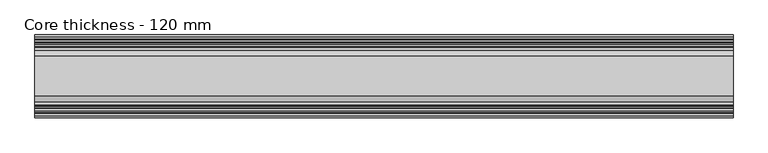
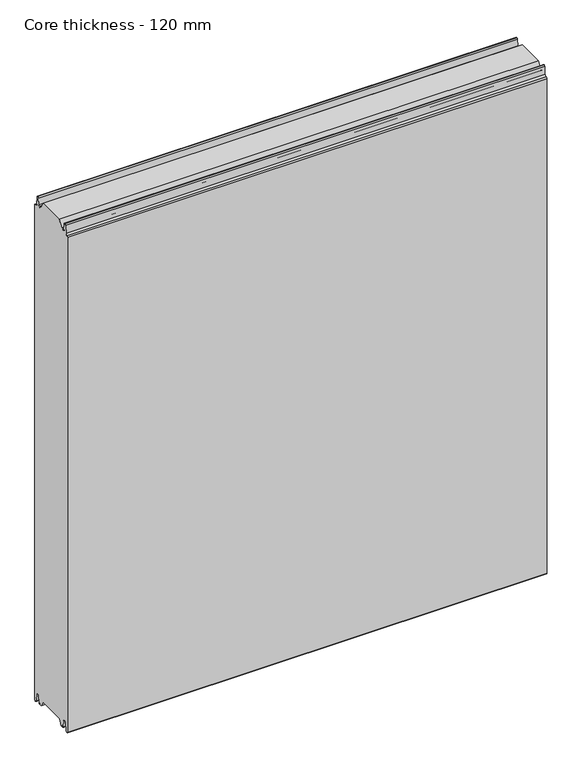
"""IFC4 building model written with IfcOpenShell, lengths in millimetres: plate geometry, Core thickness - 120 mm."""

from ifc_helpers import new_model, si_unit, frame, origin, place, context, project, spatial, polyline, circle_curve, source, transform, mapped, element, save
from ifc_brep_helpers import plane_surface, cylinder_surface, revolved_surface, advanced_brep


def core_thickness_120_mm_1c6fb050(model_context):
    return source(origin(), model_context, "Body", "AdvancedBrep", [
        advanced_brep(
        [(500.0000002, -89.873448, 15.0417681), (500.0000002, -30.126552, 15.0417681), (500.0000002, -23.4086055, 3.0684055), (500.0000002, -17.4169005, 3.0684055), (500.0000002, -19.6169005, 5.265779), (500.0000002, -18.8169005, 5.265779), (500.0000002, -16.0235822, 5.1291629), (500.0000002, -14.6379549, 19.2608832), (500.0000002, -10.8223285, 22.6899182), (500.0000002, -7.0067021, 19.2608832), (500.0000002, -5.3893281, 2.7656275), (500.0000002, -0.8003051, 2.9900682), (500.0000002, -0.8, 1093.8000005), (500.0000002, -3.3660185, 1096.1942726), (500.0000002, -6.8790665, 1099.1779769), (500.0000002, -8.5415667, 1116.1334653), (500.0000002, -10.8223285, 1118.1999998), (500.0000002, -13.1030903, 1116.1334653), (500.0000002, -14.4357929, 1102.5415123), (500.0000002, -17.0233841, 1100.1952279), (500.0000002, -18.1003051, 1100.1952279), (500.0000002, -18.7003051, 1099.5952279), (500.0000002, -18.7003051, 1098.4952279), (500.0000002, -19.5003051, 1098.4952279), (500.0000002, -19.5003051, 1099.5952279), (500.0000002, -18.1003051, 1100.9952279), (500.0000002, -19.5003051, 1100.9952279), (500.0000002, -23.1062917, 1100.9952279), (500.0000002, -31.1628062, 1115.044651), (500.0000002, -88.7531937, 1115.044651), (500.0000002, -96.8937083, 1100.9952279), (500.0000002, -100.4996949, 1100.9952279), (500.0000002, -101.8996949, 1100.9952279), (500.0000002, -100.4996949, 1099.5952279), (500.0000002, -100.4996949, 1098.4952279), (500.0000002, -101.2996949, 1098.4952279), (500.0000002, -101.2996949, 1099.5952279), (500.0000002, -101.8996949, 1100.1952279), (500.0000002, -102.9766159, 1100.1952279), (500.0000002, -105.5642071, 1102.5415123), (500.0000002, -106.8969097, 1116.1334653), (500.0000002, -109.1776715, 1118.1999998), (500.0000002, -111.4584333, 1116.1334653), (500.0000002, -113.1209335, 1099.1779769), (500.0000002, -116.6330399, 1096.2078763), (500.0000002, -119.1996949, 1093.8000005), (500.0000002, -119.2, 2.9900682), (500.0000002, -114.6106719, 2.7656275), (500.0000002, -112.9932979, 19.2608832), (500.0000002, -109.1776715, 22.6899182), (500.0000002, -105.3620451, 19.2608832), (500.0000002, -103.9764178, 5.1291629), (500.0000002, -101.1830995, 5.265779), (500.0000002, -100.3830995, 5.265779), (500.0000002, -102.5830995, 3.065779), (500.0000002, -96.5913945, 3.0684055), (-500.0000002, -96.8937083, 1100.9952279), (-500.0000002, -88.7531937, 1115.044651), (-500.0000002, -31.1628062, 1115.044651), (-500.0000002, -23.1062917, 1100.9952279), (-500.0000002, -19.5003051, 1100.9952279), (-500.0000002, -18.1003051, 1100.9952279), (-500.0000002, -19.5003051, 1099.5952279), (-500.0000002, -19.5003051, 1098.4952279), (-500.0000002, -18.7003051, 1098.4952279), (-500.0000002, -18.7003051, 1099.5952279), (-500.0000002, -18.1003051, 1100.1952279), (-500.0000002, -17.0233841, 1100.1952279), (-500.0000002, -14.4357929, 1102.5415123), (-500.0000002, -13.1030903, 1116.1334653), (-500.0000002, -10.8223285, 1118.1999998), (-500.0000002, -8.5415667, 1116.1334653), (-500.0000002, -6.8790665, 1099.1779769), (-500.0000002, -3.3669601, 1096.2078763), (-500.0000002, -0.8003051, 1093.8000005), (-500.0000002, -0.8, 2.9900682), (-500.0000002, -5.3893281, 2.7656275), (-500.0000002, -7.0067021, 19.2608832), (-500.0000002, -10.8223285, 22.6899182), (-500.0000002, -14.6379549, 19.2608832), (-500.0000002, -16.0235822, 5.1291629), (-500.0000002, -18.8169005, 5.265779), (-500.0000002, -19.6169005, 5.265779), (-500.0000002, -17.4169005, 3.065779), (-500.0000002, -23.4086055, 3.0684055), (-500.0000002, -30.126552, 15.0417681), (-500.0000002, -89.873448, 15.0417681), (-500.0000002, -96.5913945, 3.0684055), (-500.0000002, -102.5830995, 3.0684055), (-500.0000002, -100.3830995, 5.265779), (-500.0000002, -101.1830995, 5.265779), (-500.0000002, -103.9764178, 5.1291629), (-500.0000002, -105.3620451, 19.2608832), (-500.0000002, -109.1776715, 22.6899182), (-500.0000002, -112.9932979, 19.2608832), (-500.0000002, -114.6106719, 2.7656275), (-500.0000002, -119.1996949, 2.9900682), (-500.0000002, -119.2, 1093.8000005), (-500.0000002, -116.6339815, 1096.1942726), (-500.0000002, -113.1209335, 1099.1779769), (-500.0000002, -111.4584333, 1116.1334653), (-500.0000002, -109.1776715, 1118.1999998), (-500.0000002, -106.8969097, 1116.1334653), (-500.0000002, -105.5642071, 1102.5415123), (-500.0000002, -102.9766159, 1100.1952279), (-500.0000002, -101.8996949, 1100.1952279), (-500.0000002, -101.2996949, 1099.5952279), (-500.0000002, -101.2996949, 1098.4952279), (-500.0000002, -100.4996949, 1098.4952279), (-500.0000002, -100.4996949, 1099.5952279), (-500.0000002, -101.8996949, 1100.9952279), (-500.0000002, -100.4996949, 1100.9952279)],
        [
            (0, 1),
            (1, 2),
            (2, 3),
            (3, 4, circle_curve(frame((500.0000002, -17.4169005, 5.265779), z_axis=(-1.0, 0.0, 0.0), x_axis=(0.0, 0.0, -1.0)), 2.2)),
            (4, 5),
            (5, 6, circle_curve(frame((500.0000002, -17.4169005, 5.265779), z_axis=(1.0, 0.0, 0.0), x_axis=(0.0, 0.0, -1.0)), 1.4)),
            (6, 7),
            (7, 8, circle_curve(frame((500.0000002, -10.8560907, 18.8900682), z_axis=(-1.0, 0.0, 0.0), x_axis=(0.0, 0.0, -1.0)), 3.8)),
            (8, 9, circle_curve(frame((500.0000002, -10.7885662, 18.8900682), z_axis=(-1.0, 0.0, 0.0), x_axis=(0.0, 0.0, -1.0)), 3.8)),
            (9, 10),
            (10, 11, circle_curve(frame((500.0000002, -3.1003051, 2.9900682), z_axis=(1.0, 0.0, 0.0), x_axis=(0.0, 0.0, -1.0)), 2.3)),
            (11, 12),
            (12, 13, circle_curve(frame((500.0000002, -3.2003051, 1093.8000005), z_axis=(1.0, 0.0, 0.0), x_axis=(0.0, 0.0, -1.0)), 2.4)),
            (13, 14, circle_curve(frame((500.0000002, -3.5948161, 1099.5000005), z_axis=(-1.0, 0.0, 0.0), x_axis=(0.0, 0.0, -1.0)), 3.3)),
            (14, 15),
            (15, 16, circle_curve(frame((500.0000002, -10.8206374, 1115.9100005), z_axis=(1.0, 0.0, 0.0), x_axis=(0.0, 0.0, -1.0)), 2.29)),
            (16, 17, circle_curve(frame((500.0000002, -10.8240195, 1115.9100005), z_axis=(1.0, 0.0, 0.0), x_axis=(0.0, 0.0, -1.0)), 2.29)),
            (17, 18),
            (18, 19, circle_curve(frame((500.0000002, -17.0233841, 1102.7952279), z_axis=(-1.0, 0.0, 0.0), x_axis=(0.0, 0.0, -1.0)), 2.6)),
            (19, 20),
            (20, 21, circle_curve(frame((500.0000002, -18.1003051, 1099.5952279), z_axis=(1.0, 0.0, 0.0), x_axis=(0.0, 0.0, -1.0)), 0.6)),
            (21, 22),
            (22, 23),
            (23, 24),
            (24, 25, circle_curve(frame((500.0000002, -18.1003051, 1099.5952279), z_axis=(-1.0, 0.0, 0.0), x_axis=(0.0, 0.0, -1.0)), 1.4)),
            (25, 26),
            (26, 27),
            (27, 28),
            (28, 29),
            (29, 30),
            (30, 31),
            (31, 32),
            (32, 33, circle_curve(frame((500.0000002, -101.8996949, 1099.5952279), z_axis=(-1.0, 0.0, 0.0), x_axis=(0.0, 0.0, -1.0)), 1.4)),
            (33, 34),
            (34, 35),
            (35, 36),
            (36, 37, circle_curve(frame((500.0000002, -101.8996949, 1099.5952279), z_axis=(1.0, 0.0, 0.0), x_axis=(0.0, 0.0, -1.0)), 0.6)),
            (37, 38),
            (38, 39, circle_curve(frame((500.0000002, -102.9766159, 1102.7952279), z_axis=(-1.0, 0.0, 0.0), x_axis=(0.0, 0.0, -1.0)), 2.6)),
            (39, 40),
            (40, 41, circle_curve(frame((500.0000002, -109.1759805, 1115.9100005), z_axis=(1.0, 0.0, 0.0), x_axis=(0.0, 0.0, -1.0)), 2.29)),
            (41, 42, circle_curve(frame((500.0000002, -109.1793626, 1115.9100005), z_axis=(1.0, 0.0, 0.0), x_axis=(0.0, 0.0, -1.0)), 2.29)),
            (42, 43),
            (43, 44, circle_curve(frame((500.0000002, -116.4051839, 1099.5000005), z_axis=(-1.0, 0.0, 0.0), x_axis=(0.0, 0.0, -1.0)), 3.3)),
            (44, 45, circle_curve(frame((500.0000002, -116.7996949, 1093.8000005), z_axis=(1.0, 0.0, 0.0), x_axis=(0.0, 0.0, -1.0)), 2.4)),
            (45, 46),
            (46, 47, circle_curve(frame((500.0000002, -116.8996949, 2.9900682), z_axis=(1.0, 0.0, 0.0), x_axis=(0.0, 0.0, -1.0)), 2.3)),
            (47, 48),
            (48, 49, circle_curve(frame((500.0000002, -109.2114338, 18.8900682), z_axis=(-1.0, 0.0, 0.0), x_axis=(0.0, 0.0, -1.0)), 3.8)),
            (49, 50, circle_curve(frame((500.0000002, -109.1439093, 18.8900682), z_axis=(-1.0, 0.0, 0.0), x_axis=(0.0, 0.0, -1.0)), 3.8)),
            (50, 51),
            (51, 52, circle_curve(frame((500.0000002, -102.5830995, 5.265779), z_axis=(1.0, 0.0, 0.0), x_axis=(0.0, 0.0, -1.0)), 1.4)),
            (52, 53),
            (53, 54, circle_curve(frame((500.0000002, -102.5830995, 5.265779), z_axis=(-1.0, 0.0, 0.0), x_axis=(0.0, 0.0, -1.0)), 2.2)),
            (54, 55),
            (55, 0),
            (56, 57),
            (57, 58),
            (58, 59),
            (59, 60),
            (60, 61),
            (61, 62, circle_curve(frame((-500.0000002, -18.1003051, 1099.5952279), z_axis=(1.0, 0.0, 0.0), x_axis=(0.0, 0.0, -1.0)), 1.4)),
            (62, 63),
            (63, 64),
            (64, 65),
            (65, 66, circle_curve(frame((-500.0000002, -18.1003051, 1099.5952279), z_axis=(-1.0, 0.0, 0.0), x_axis=(0.0, 0.0, -1.0)), 0.6)),
            (66, 67),
            (67, 68, circle_curve(frame((-500.0000002, -17.0233841, 1102.7952279), z_axis=(1.0, 0.0, 0.0), x_axis=(0.0, 0.0, -1.0)), 2.6)),
            (68, 69),
            (69, 70, circle_curve(frame((-500.0000002, -10.8240195, 1115.9100005), z_axis=(-1.0, 0.0, 0.0), x_axis=(0.0, 0.0, -1.0)), 2.29)),
            (70, 71, circle_curve(frame((-500.0000002, -10.8206374, 1115.9100005), z_axis=(-1.0, 0.0, 0.0), x_axis=(0.0, 0.0, -1.0)), 2.29)),
            (71, 72),
            (72, 73, circle_curve(frame((-500.0000002, -3.5948161, 1099.5000005), z_axis=(1.0, 0.0, 0.0), x_axis=(0.0, 0.0, -1.0)), 3.3)),
            (73, 74, circle_curve(frame((-500.0000002, -3.2003051, 1093.8000005), z_axis=(-1.0, 0.0, 0.0), x_axis=(0.0, 0.0, -1.0)), 2.4)),
            (74, 75),
            (75, 76, circle_curve(frame((-500.0000002, -3.1003051, 2.9900682), z_axis=(-1.0, 0.0, 0.0), x_axis=(0.0, 0.0, -1.0)), 2.3)),
            (76, 77),
            (77, 78, circle_curve(frame((-500.0000002, -10.7885662, 18.8900682), z_axis=(1.0, 0.0, 0.0), x_axis=(0.0, 0.0, -1.0)), 3.8)),
            (78, 79, circle_curve(frame((-500.0000002, -10.8560907, 18.8900682), z_axis=(1.0, 0.0, 0.0), x_axis=(0.0, 0.0, -1.0)), 3.8)),
            (79, 80),
            (80, 81, circle_curve(frame((-500.0000002, -17.4169005, 5.265779), z_axis=(-1.0, 0.0, 0.0), x_axis=(0.0, 0.0, -1.0)), 1.4)),
            (81, 82),
            (82, 83, circle_curve(frame((-500.0000002, -17.4169005, 5.265779), z_axis=(1.0, 0.0, 0.0), x_axis=(0.0, 0.0, -1.0)), 2.2)),
            (83, 84),
            (84, 85),
            (85, 86),
            (86, 87),
            (87, 88),
            (88, 89, circle_curve(frame((-500.0000002, -102.5830995, 5.265779), z_axis=(1.0, 0.0, 0.0), x_axis=(0.0, 0.0, -1.0)), 2.2)),
            (89, 90),
            (90, 91, circle_curve(frame((-500.0000002, -102.5830995, 5.265779), z_axis=(-1.0, 0.0, 0.0), x_axis=(0.0, 0.0, -1.0)), 1.4)),
            (91, 92),
            (92, 93, circle_curve(frame((-500.0000002, -109.1439093, 18.8900682), z_axis=(1.0, 0.0, 0.0), x_axis=(0.0, 0.0, -1.0)), 3.8)),
            (93, 94, circle_curve(frame((-500.0000002, -109.2114338, 18.8900682), z_axis=(1.0, 0.0, 0.0), x_axis=(0.0, 0.0, -1.0)), 3.8)),
            (94, 95),
            (95, 96, circle_curve(frame((-500.0000002, -116.8996949, 2.9900682), z_axis=(-1.0, 0.0, 0.0), x_axis=(0.0, 0.0, -1.0)), 2.3)),
            (96, 97),
            (97, 98, circle_curve(frame((-500.0000002, -116.7996949, 1093.8000005), z_axis=(-1.0, 0.0, 0.0), x_axis=(0.0, 0.0, -1.0)), 2.4)),
            (98, 99, circle_curve(frame((-500.0000002, -116.4051839, 1099.5000005), z_axis=(1.0, 0.0, 0.0), x_axis=(0.0, 0.0, -1.0)), 3.3)),
            (99, 100),
            (100, 101, circle_curve(frame((-500.0000002, -109.1793626, 1115.9100005), z_axis=(-1.0, 0.0, 0.0), x_axis=(0.0, 0.0, -1.0)), 2.29)),
            (101, 102, circle_curve(frame((-500.0000002, -109.1759805, 1115.9100005), z_axis=(-1.0, 0.0, 0.0), x_axis=(0.0, 0.0, -1.0)), 2.29)),
            (102, 103),
            (103, 104, circle_curve(frame((-500.0000002, -102.9766159, 1102.7952279), z_axis=(1.0, 0.0, 0.0), x_axis=(0.0, 0.0, -1.0)), 2.6)),
            (104, 105),
            (105, 106, circle_curve(frame((-500.0000002, -101.8996949, 1099.5952279), z_axis=(-1.0, 0.0, 0.0), x_axis=(0.0, 0.0, -1.0)), 0.6)),
            (106, 107),
            (107, 108),
            (108, 109),
            (109, 110, circle_curve(frame((-500.0000002, -101.8996949, 1099.5952279), z_axis=(1.0, 0.0, 0.0), x_axis=(0.0, 0.0, -1.0)), 1.4)),
            (110, 111),
            (111, 56),
            (30, 56),
            (110, 32),
            (29, 57),
            (28, 58),
            (27, 59),
            (25, 61),
            (1, 85),
            (84, 2),
            (0, 86),
            (55, 87),
            (83, 3),
            (54, 88),
            (109, 33),
            (108, 34),
            (107, 35),
            (106, 36),
            (105, 37),
            (104, 38),
            (103, 39),
            (102, 40),
            (101, 41),
            (100, 42),
            (99, 43),
            (98, 44),
            (97, 45),
            (96, 46),
            (95, 47),
            (94, 48),
            (93, 49),
            (92, 50),
            (91, 51),
            (90, 52),
            (89, 53),
            (74, 12),
            (11, 75),
            (73, 13),
            (72, 14),
            (71, 15),
            (70, 16),
            (69, 17),
            (68, 18),
            (67, 19),
            (66, 20),
            (65, 21),
            (64, 22),
            (63, 23),
            (62, 24),
            (82, 4),
            (81, 5),
            (80, 6),
            (79, 7),
            (78, 8),
            (77, 9),
            (76, 10),
        ],
        [
            plane_surface(frame((500.0000002, 0.0, 0.0), z_axis=(1.0, 0.0, 0.0), x_axis=(0.0, -1.0, 0.0))),
            plane_surface(frame((-500.0000002, 0.0, 0.0), z_axis=(-1.0, 0.0, 0.0), x_axis=(0.0, -1.0, 0.0))),
            plane_surface(frame((500.0000002, -96.8937083, 1100.9952279), z_axis=(0.0, 0.0, 1.0), x_axis=(-1.0, 0.0, 0.0))),
            plane_surface(frame((500.0000002, -88.7531937, 1115.044651), z_axis=(0.0, -0.8652489672717164, 0.5013424225369607), x_axis=(-1.0, 0.0, 0.0))),
            plane_surface(frame((500.0000002, -31.1628062, 1115.044651), z_axis=(0.0, 0.0, 1.0), x_axis=(-1.0, 0.0, 0.0))),
            plane_surface(frame((500.0000002, -23.1062917, 1100.9952279), z_axis=(0.0, 0.8674901459133322, 0.4974543664933155), x_axis=(-1.0, 0.0, 0.0))),
            plane_surface(frame((500.0000002, -17.0229218, 1100.9952279), z_axis=(0.0, 0.0, 1.0), x_axis=(-1.0, 0.0, 0.0))),
            plane_surface(frame((500.0000002, -30.126552, 15.0417681), z_axis=(0.0, -0.8721062992196836, -0.4893164649399687), x_axis=(-1.0, 0.0, 0.0))),
            plane_surface(frame((500.0000002, -89.873448, 15.0417681), z_axis=(0.0, 0.0, -1.0), x_axis=(-1.0, 0.0, 0.0))),
            plane_surface(frame((500.0000002, -96.8190247, 2.6627014), z_axis=(0.0, 0.8721062992196852, -0.48931646493996606), x_axis=(-1.0, 0.0, 0.0))),
            plane_surface(frame((-500.0000002, -102.5830995, 3.0684055), z_axis=(0.0, 0.0, -1.0), x_axis=(1.0, 0.0, 0.0))),
            revolved_surface(polyline([(500.0000002, -101.8996949, 1098.1952279), (-500.00000020000004, -101.8996949, 1098.1952279)]), (630.0000002, -101.8996949, 1099.5952279), (1.0, 0.0, 0.0)),
            plane_surface(frame((630.0000002, -100.4996949, 1098.4952279), z_axis=(0.0, -1.0, 0.0), x_axis=(-1.0, 0.0, 0.0))),
            plane_surface(frame((630.0000002, -101.2996949, 1098.4952279), z_axis=(0.0, 0.0, 1.0), x_axis=(-1.0, 0.0, 0.0))),
            plane_surface(frame((630.0000002, -101.2996949, 1099.5952279), z_axis=(0.0, 1.0, 0.0), x_axis=(-1.0, 0.0, 0.0))),
            cylinder_surface(frame((630.0000002, -101.8996949, 1099.5952279), z_axis=(-1.0, 0.0, 0.0), x_axis=(0.0, 0.0, -1.0)), 0.6),
            plane_surface(frame((630.0000002, -102.9766159, 1100.1952279), z_axis=(0.0, 0.0, 1.0), x_axis=(-1.0, 0.0, 0.0))),
            revolved_surface(polyline([(500.0000002, -102.9766159, 1100.1952279000002), (-500.00000020000004, -102.9766159, 1100.1952279000002)]), (630.0000002, -102.9766159, 1102.7952279), (1.0, 0.0, 0.0)),
            plane_surface(frame((630.0000002, -106.8969097, 1116.1334653), z_axis=(0.0, 0.9952273999818314, 0.09758289975914705), x_axis=(-1.0, 0.0, 0.0))),
            cylinder_surface(frame((630.0000002, -109.1759805, 1115.9100005), z_axis=(-1.0, 0.0, 0.0), x_axis=(0.0, 0.0, -1.0)), 2.29),
            cylinder_surface(frame((630.0000002, -109.1793626, 1115.9100005), z_axis=(-1.0, 0.0, 0.0), x_axis=(0.0, 0.0, -1.0)), 2.29),
            plane_surface(frame((630.0000002, -113.1209335, 1099.1779769), z_axis=(0.0, -0.9952273999818317, 0.09758289975914436), x_axis=(-1.0, 0.0, 0.0))),
            revolved_surface(polyline([(500.0000002, -116.4051839, 1096.2000005), (-500.00000020000004, -116.4051839, 1096.2000005)]), (630.0000002, -116.4051839, 1099.5000005), (1.0, 0.0, 0.0)),
            cylinder_surface(frame((630.0000002, -116.7996949, 1093.8000005), z_axis=(-1.0, 0.0, 0.0), x_axis=(0.0, 0.0, -1.0)), 2.4),
            plane_surface(frame((630.0000002, -119.2, 2.9900682), z_axis=(0.0, -1.0, 0.0), x_axis=(-1.0, 0.0, 0.0))),
            cylinder_surface(frame((630.0000002, -116.8996949, 2.9900682), z_axis=(-1.0, 0.0, 0.0), x_axis=(0.0, 0.0, -1.0)), 2.3),
            plane_surface(frame((630.0000002, -112.9932979, 19.2608832), z_axis=(0.0, 0.9952273999818314, -0.09758289975914787), x_axis=(-1.0, 0.0, 0.0))),
            revolved_surface(polyline([(500.0000002, -109.2114338, 15.090068200000001), (-500.00000020000004, -109.2114338, 15.090068200000001)]), (630.0000002, -109.2114338, 18.8900682), (1.0, 0.0, 0.0)),
            revolved_surface(polyline([(500.0000002, -109.1439093, 15.090068200000001), (-500.00000020000004, -109.1439093, 15.090068200000001)]), (630.0000002, -109.1439093, 18.8900682), (1.0, 0.0, 0.0)),
            plane_surface(frame((630.0000002, -103.9764178, 5.1291629), z_axis=(0.0, -0.9952273999818297, -0.09758289975916531), x_axis=(-1.0, 0.0, 0.0))),
            cylinder_surface(frame((630.0000002, -102.5830995, 5.265779), z_axis=(-1.0, 0.0, 0.0), x_axis=(0.0, 0.0, -1.0)), 1.4),
            plane_surface(frame((630.0000002, -100.3830995, 5.265779), z_axis=(0.0, 0.0, -1.0), x_axis=(-1.0, 0.0, 0.0))),
            revolved_surface(polyline([(500.0000002, -102.5830995, 3.065779), (-500.00000020000004, -102.5830995, 3.065779)]), (630.0000002, -102.5830995, 5.265779), (1.0, 0.0, 0.0)),
            plane_surface(frame((630.0000002, -0.8, 1093.8000005), z_axis=(0.0, 1.0, 0.0), x_axis=(-1.0, 0.0, 0.0))),
            cylinder_surface(frame((630.0000002, -3.2003051, 1093.8000005), z_axis=(-1.0, 0.0, 0.0), x_axis=(0.0, 0.0, -1.0)), 2.4),
            revolved_surface(polyline([(500.0000002, -3.5948161, 1096.2000005), (-500.00000020000004, -3.5948161, 1096.2000005)]), (630.0000002, -3.5948161, 1099.5000005), (1.0, 0.0, 0.0)),
            plane_surface(frame((630.0000002, -8.5415667, 1116.1334653), z_axis=(0.0, 0.9952273999818317, 0.09758289975914436), x_axis=(-1.0, 0.0, 0.0))),
            cylinder_surface(frame((630.0000002, -10.8206374, 1115.9100005), z_axis=(-1.0, 0.0, 0.0), x_axis=(0.0, 0.0, -1.0)), 2.29),
            cylinder_surface(frame((630.0000002, -10.8240195, 1115.9100005), z_axis=(-1.0, 0.0, 0.0), x_axis=(0.0, 0.0, -1.0)), 2.29),
            plane_surface(frame((630.0000002, -14.4357929, 1102.5415123), z_axis=(0.0, -0.9952273999818314, 0.09758289975914705), x_axis=(-1.0, 0.0, 0.0))),
            revolved_surface(polyline([(500.0000002, -17.0233841, 1100.1952279000002), (-500.00000020000004, -17.0233841, 1100.1952279000002)]), (630.0000002, -17.0233841, 1102.7952279), (1.0, 0.0, 0.0)),
            plane_surface(frame((630.0000002, -18.1003051, 1100.1952279), z_axis=(0.0, 0.0, 1.0), x_axis=(-1.0, 0.0, 0.0))),
            cylinder_surface(frame((630.0000002, -18.1003051, 1099.5952279), z_axis=(-1.0, 0.0, 0.0), x_axis=(0.0, 0.0, -1.0)), 0.6),
            plane_surface(frame((630.0000002, -18.7003051, 1098.4952279), z_axis=(0.0, -1.0, 0.0), x_axis=(-1.0, 0.0, 0.0))),
            plane_surface(frame((630.0000002, -19.5003051, 1098.4952279), z_axis=(0.0, 0.0, 1.0), x_axis=(-1.0, 0.0, 0.0))),
            plane_surface(frame((630.0000002, -19.5003051, 1099.5952279), z_axis=(0.0, 1.0, 0.0), x_axis=(-1.0, 0.0, 0.0))),
            revolved_surface(polyline([(500.0000002, -18.1003051, 1098.1952279), (-500.00000020000004, -18.1003051, 1098.1952279)]), (630.0000002, -18.1003051, 1099.5952279), (1.0, 0.0, 0.0)),
            revolved_surface(polyline([(500.0000002, -17.4169005, 3.065779), (-500.00000020000004, -17.4169005, 3.065779)]), (630.0000002, -17.4169005, 5.265779), (1.0, 0.0, 0.0)),
            plane_surface(frame((630.0000002, -18.8169005, 5.265779), z_axis=(0.0, 0.0, -1.0), x_axis=(-1.0, 0.0, 0.0))),
            cylinder_surface(frame((630.0000002, -17.4169005, 5.265779), z_axis=(-1.0, 0.0, 0.0), x_axis=(0.0, 0.0, -1.0)), 1.4),
            plane_surface(frame((630.0000002, -14.6379549, 19.2608832), z_axis=(0.0, 0.9952273999818297, -0.09758289975916531), x_axis=(-1.0, 0.0, 0.0))),
            revolved_surface(polyline([(500.0000002, -10.8560907, 15.090068200000001), (-500.00000020000004, -10.8560907, 15.090068200000001)]), (630.0000002, -10.8560907, 18.8900682), (1.0, 0.0, 0.0)),
            revolved_surface(polyline([(500.0000002, -10.7885662, 15.090068200000001), (-500.00000020000004, -10.7885662, 15.090068200000001)]), (630.0000002, -10.7885662, 18.8900682), (1.0, 0.0, 0.0)),
            plane_surface(frame((630.0000002, -5.3893281, 2.7656275), z_axis=(0.0, -0.9952273999818314, -0.09758289975914787), x_axis=(-1.0, 0.0, 0.0))),
            cylinder_surface(frame((630.0000002, -3.1003051, 2.9900682), z_axis=(-1.0, 0.0, 0.0), x_axis=(0.0, 0.0, -1.0)), 2.3),
        ],
        [
            (0, [[1, 2, 3, 4, 5, 6, 7, 8, 9, 10, 11, 12, 13, 14, 15, 16, 17, 18, 19, 20, 21, 22, 23, 24, 25, 26, 27, 28, 29, 30, 31, 32, 33, 34, 35, 36, 37, 38, 39, 40, 41, 42, 43, 44, 45, 46, 47, 48, 49, 50, 51, 52, 53, 54, 55, 56]]),
            (1, [[57, 58, 59, 60, 61, 62, 63, 64, 65, 66, 67, 68, 69, 70, 71, 72, 73, 74, 75, 76, 77, 78, 79, 80, 81, 82, 83, 84, 85, 86, 87, 88, 89, 90, 91, 92, 93, 94, 95, 96, 97, 98, 99, 100, 101, 102, 103, 104, 105, 106, 107, 108, 109, 110, 111, 112]]),
            (2, [[113, -112, -111, 114, -32, -31]]),
            (3, [[-30, 115, -57, -113]]),
            (4, [[-29, 116, -58, -115]]),
            (5, [[-28, 117, -59, -116]]),
            (6, [[-117, -27, -26, 118, -61, -60]]),
            (7, [[119, -85, 120, -2]]),
            (8, [[-1, 121, -86, -119]]),
            (9, [[-121, -56, 122, -87]]),
            (10, [[-3, -120, -84, 123]]),
            (10, [[-55, 124, -88, -122]]),
            (11, [[125, -33, -114, -110]]),
            (12, [[-125, -109, 126, -34]]),
            (13, [[-126, -108, 127, -35]]),
            (14, [[-127, -107, 128, -36]]),
            (15, [[-128, -106, 129, -37]]),
            (16, [[-129, -105, 130, -38]]),
            (17, [[-130, -104, 131, -39]]),
            (18, [[-131, -103, 132, -40]]),
            (19, [[-132, -102, 133, -41]]),
            (20, [[-133, -101, 134, -42]]),
            (21, [[-134, -100, 135, -43]]),
            (22, [[-135, -99, 136, -44]]),
            (23, [[-136, -98, 137, -45]]),
            (24, [[-137, -97, 138, -46]]),
            (25, [[-138, -96, 139, -47]]),
            (26, [[-139, -95, 140, -48]]),
            (27, [[-140, -94, 141, -49]]),
            (28, [[-141, -93, 142, -50]]),
            (29, [[-142, -92, 143, -51]]),
            (30, [[-143, -91, 144, -52]]),
            (31, [[-144, -90, 145, -53]]),
            (32, [[-145, -89, -124, -54]]),
            (33, [[146, -12, 147, -75]]),
            (34, [[-146, -74, 148, -13]]),
            (35, [[-148, -73, 149, -14]]),
            (36, [[-149, -72, 150, -15]]),
            (37, [[-150, -71, 151, -16]]),
            (38, [[-151, -70, 152, -17]]),
            (39, [[-152, -69, 153, -18]]),
            (40, [[-153, -68, 154, -19]]),
            (41, [[-154, -67, 155, -20]]),
            (42, [[-155, -66, 156, -21]]),
            (43, [[-156, -65, 157, -22]]),
            (44, [[-157, -64, 158, -23]]),
            (45, [[-158, -63, 159, -24]]),
            (46, [[-159, -62, -118, -25]]),
            (47, [[160, -4, -123, -83]]),
            (48, [[-160, -82, 161, -5]]),
            (49, [[-161, -81, 162, -6]]),
            (50, [[-162, -80, 163, -7]]),
            (51, [[-163, -79, 164, -8]]),
            (52, [[-164, -78, 165, -9]]),
            (53, [[-165, -77, 166, -10]]),
            (54, [[-166, -76, -147, -11]]),
        ],
    ),
    ])


if __name__ == "__main__":
    model = new_model("IFC4")
    model_context = context("Model", 3, world=origin())
    ifc_project = project(units=[si_unit("LENGTHUNIT", "METRE", prefix="MILLI")], contexts=[model_context])
    site = spatial("IfcSite", under=ifc_project)
    building = spatial("IfcBuilding", under=site)
    placement = place(None, origin())
    core_thickness_120_mm_shape = core_thickness_120_mm_1c6fb050(model_context)
    element("IfcPlate", 1, ObjectType="Core thickness - 120 mm", at=placement, inside=building, context=model_context, shape_type="MappedRepresentation", body=[
        mapped(core_thickness_120_mm_shape, transform((0.0, 0.0, 0.0), x_axis=(1.0, 0.0, 0.0), y_axis=(0.0, 1.0, 0.0), z_axis=(0.0, 0.0, 1.0))),
    ])
    save(model, "model.ifc")
